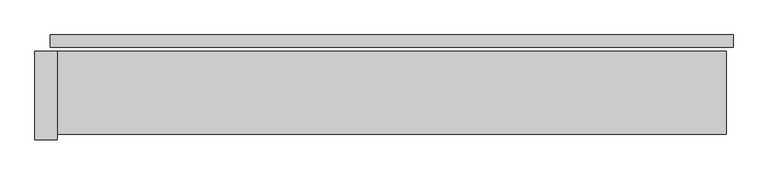
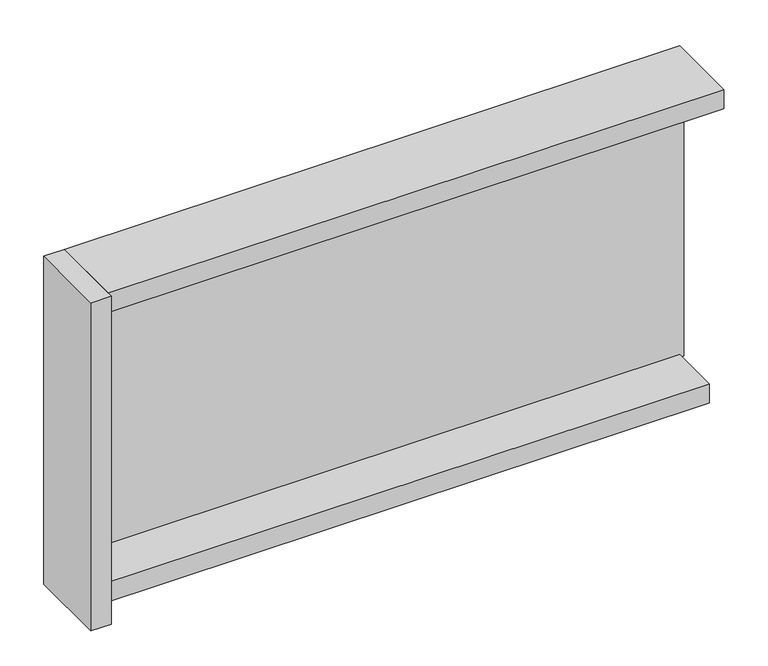
"""IFC4 building model written with IfcOpenShell, lengths in millimetres: plate geometry."""

from ifc_helpers import new_model, si_unit, frame, origin, origin_with_axes, place, context, project, spatial, polyline, outline, extrude, source, transform, mapped, element, save


def plate_f8180fce(model_context):
    return source(origin(), model_context, "Body", "SweptSolid", [
        extrude(outline(polyline([(1235.0, 0.0), (1235.0, -44.0), (-1235.0, -44.0), (-1235.0, 0.0), (1235.0, 0.0)])), origin_with_axes(), (0.0, 0.0, 1.0), 1254.465707),
        extrude(outline(polyline([(-1210.0, -60.0), (-1210.0, -380.0), (-1290.0, -380.0), (-1290.0, -60.0), (-1210.0, -60.0)])), frame((0.0, 0.0, -55.0), z_axis=(0.0, 0.0, 1.0), x_axis=(1.0, 0.0, 0.0)), (0.0, 0.0, 1.0), 1364.465707),
        extrude(outline(polyline([(1210.0, -260.0), (-1210.0, -260.0), (-1210.0, -60.0), (1210.0, -60.0), (1210.0, -260.0)])), frame((0.0, 0.0, -55.0), z_axis=(0.0, 0.0, 1.0), x_axis=(1.0, 0.0, 0.0)), (0.0, 0.0, 1.0), 80.0),
        extrude(outline(polyline([(1210.0, -60.0), (1210.0, -360.0), (-1210.0, -360.0), (-1210.0, -60.0), (1210.0, -60.0)])), frame((0.0, 0.0, 1229.465707), z_axis=(0.0, 0.0, 1.0), x_axis=(1.0, 0.0, 0.0)), (0.0, 0.0, 1.0), 80.0),
    ])


if __name__ == "__main__":
    model = new_model("IFC4")
    model_context = context("Model", 3, world=origin())
    ifc_project = project(units=[si_unit("LENGTHUNIT", "METRE", prefix="MILLI")], contexts=[model_context])
    site = spatial("IfcSite", under=ifc_project)
    building = spatial("IfcBuilding", under=site)
    placement = place(None, origin())
    plate_shape = plate_f8180fce(model_context)
    element("IfcPlate", 1, at=placement, inside=building, context=model_context, shape_type="MappedRepresentation", body=[
        mapped(plate_shape, transform((0.0, 0.0, 0.0), x_axis=(1.0, 0.0, 0.0), y_axis=(0.0, 1.0, 0.0), z_axis=(0.0, 0.0, 1.0))),
    ])
    save(model, "model.ifc")
